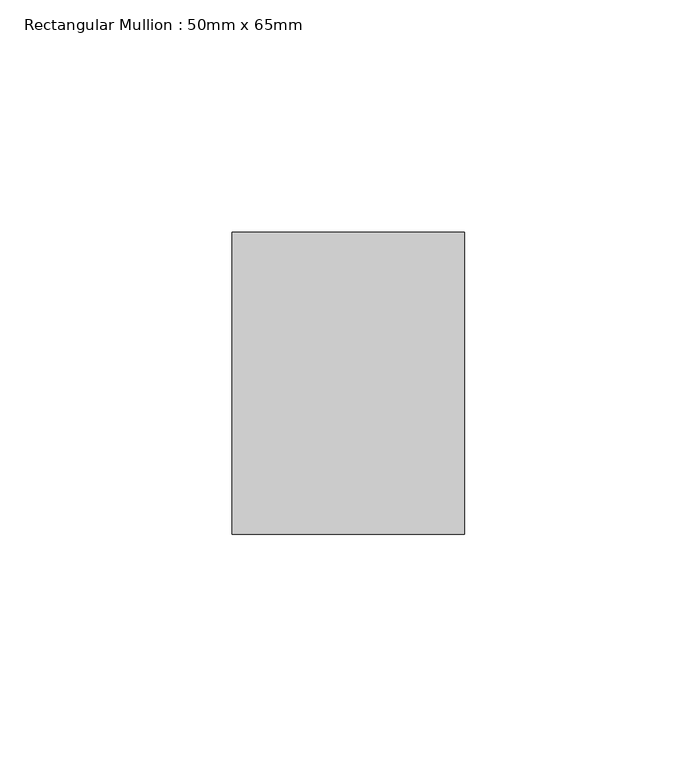
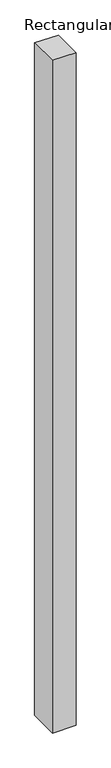
"""IFC4 building model written with IfcOpenShell, lengths in millimetres: member geometry, Rectangular Mullion : 50mm x 65mm."""

from ifc_helpers import new_model, si_unit, origin, place, context, project, spatial, faceted_brep, source, transform, mapped, element, save


def rectangular_mullion_50mm_x_65mm_ed9c21fd(model_context):
    return source(origin(), model_context, "Body", "Brep", [
        faceted_brep([(-25.0, 32.5, -0.266449), (25.0, 32.5, -0.2664473), (25.0, 32.5, -1499.6461396), (-25.0, 32.5, -1499.6461372), (-25.0, -32.5, 0.2664473), (-25.0, -32.5, -1500.3534787), (25.0, -32.5, 0.266449), (25.0, -32.5, -1500.3534811)], [[[0, 1, 2, 3]], [[4, 0, 3, 5]], [[6, 4, 5, 7]], [[1, 6, 7, 2]], [[1, 0, 4, 6]], [[2, 7, 5, 3]]]),
    ])


if __name__ == "__main__":
    model = new_model("IFC4")
    model_context = context("Model", 3, world=origin())
    ifc_project = project(units=[si_unit("LENGTHUNIT", "METRE", prefix="MILLI")], contexts=[model_context])
    site = spatial("IfcSite", under=ifc_project)
    building = spatial("IfcBuilding", under=site)
    placement = place(None, origin())
    rectangular_mullion_50mm_x_65mm_shape = rectangular_mullion_50mm_x_65mm_ed9c21fd(model_context)
    element("IfcMember", 1, ObjectType="Rectangular Mullion : 50mm x 65mm", at=placement, inside=building, context=model_context, shape_type="MappedRepresentation", body=[
        mapped(rectangular_mullion_50mm_x_65mm_shape, transform((0.0, 0.0, 0.0), x_axis=(1.0, 0.0, 0.0), y_axis=(0.0, 1.0, 0.0), z_axis=(0.0, 0.0, 1.0))),
    ])
    save(model, "model.ifc")
